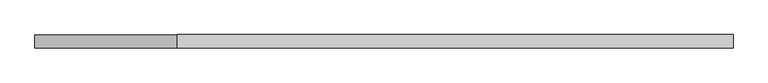
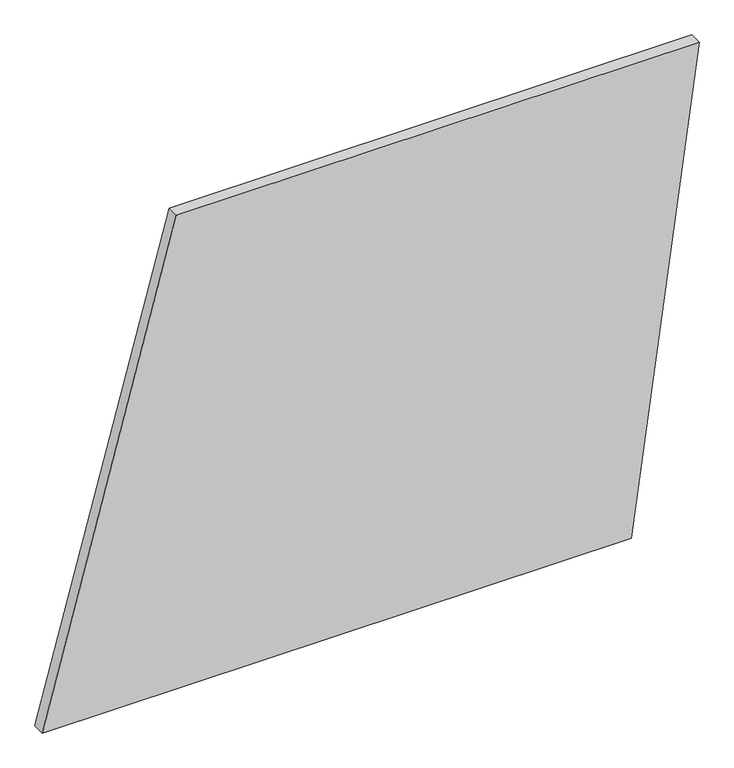
"""IFC4 building model written with IfcOpenShell, lengths in millimetres: plate geometry."""

from ifc_helpers import new_model, si_unit, frame, origin, place, context, project, spatial, polyline, outline, extrude, source, transform, mapped, element, save


def plate_0d5db997(model_context):
    return source(origin(), model_context, "Body", "SweptSolid", [
        extrude(outline(polyline([(0.0, -656.2082183), (0.0, 520.4561964), (1000.0, 656.2082183), (1000.0, -388.2590259), (0.0, -656.2082183)])), frame((0.0, 24.5, 0.0), z_axis=(0.0, 1.0, 0.0), x_axis=(0.0, 0.0, 1.0)), (0.0, 0.0, 1.0), 25.0),
    ])


if __name__ == "__main__":
    model = new_model("IFC4")
    model_context = context("Model", 3, world=origin())
    ifc_project = project(units=[si_unit("LENGTHUNIT", "METRE", prefix="MILLI")], contexts=[model_context])
    site = spatial("IfcSite", under=ifc_project)
    building = spatial("IfcBuilding", under=site)
    placement = place(None, origin())
    plate_shape = plate_0d5db997(model_context)
    element("IfcPlate", 1, at=placement, inside=building, context=model_context, shape_type="MappedRepresentation", body=[
        mapped(plate_shape, transform((0.0, 0.0, 0.0), x_axis=(1.0, 0.0, 0.0), y_axis=(0.0, 1.0, 0.0), z_axis=(0.0, 0.0, 1.0))),
    ])
    save(model, "model.ifc")
